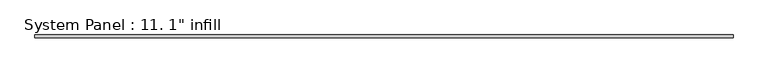
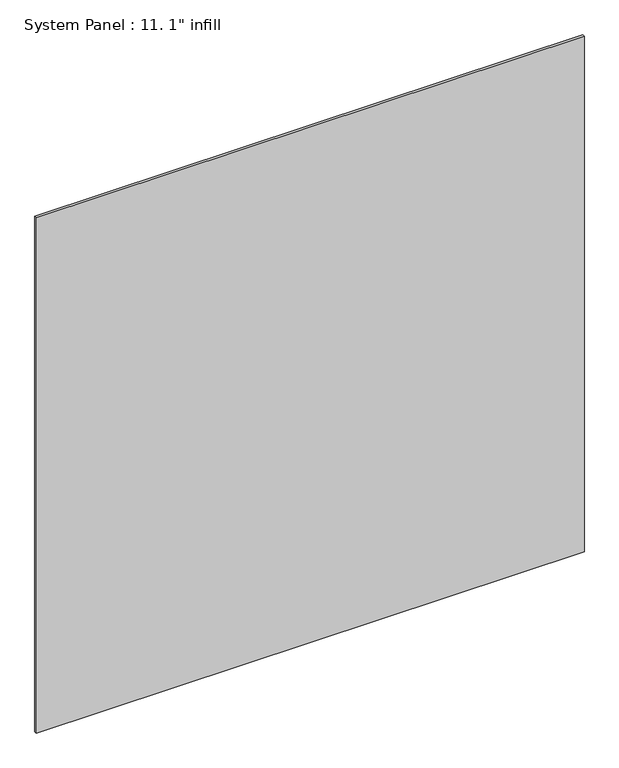
"""IFC4 building model written with IfcOpenShell, lengths in millimetres: plate geometry."""

from ifc_helpers import new_model, si_unit, origin, origin_with_axes, place, context, project, spatial, polyline, outline, extrude, source, transform, mapped, element, save


def plate_027a823f(model_context):
    return source(origin(), model_context, "Body", "SweptSolid", [
        extrude(outline(polyline([(2987.6855076, -12.7), (-2987.6855076, -12.7), (-2987.6855076, 12.7), (2987.6855076, 12.7), (2987.6855076, -12.7)])), origin_with_axes(), (0.0, 0.0, 1.0), 5937.2314978),
    ])


if __name__ == "__main__":
    model = new_model("IFC4")
    model_context = context("Model", 3, world=origin())
    ifc_project = project(units=[si_unit("LENGTHUNIT", "METRE", prefix="MILLI")], contexts=[model_context])
    site = spatial("IfcSite", under=ifc_project)
    building = spatial("IfcBuilding", under=site)
    placement = place(None, origin())
    plate_shape = plate_027a823f(model_context)
    element("IfcPlate", 1, ObjectType="System Panel : 11. 1\" infill", at=placement, inside=building, context=model_context, shape_type="MappedRepresentation", body=[
        mapped(plate_shape, transform((0.0, 0.0, 0.0), x_axis=(1.0, 0.0, 0.0), y_axis=(0.0, 1.0, 0.0), z_axis=(0.0, 0.0, 1.0))),
    ])
    save(model, "model.ifc")
